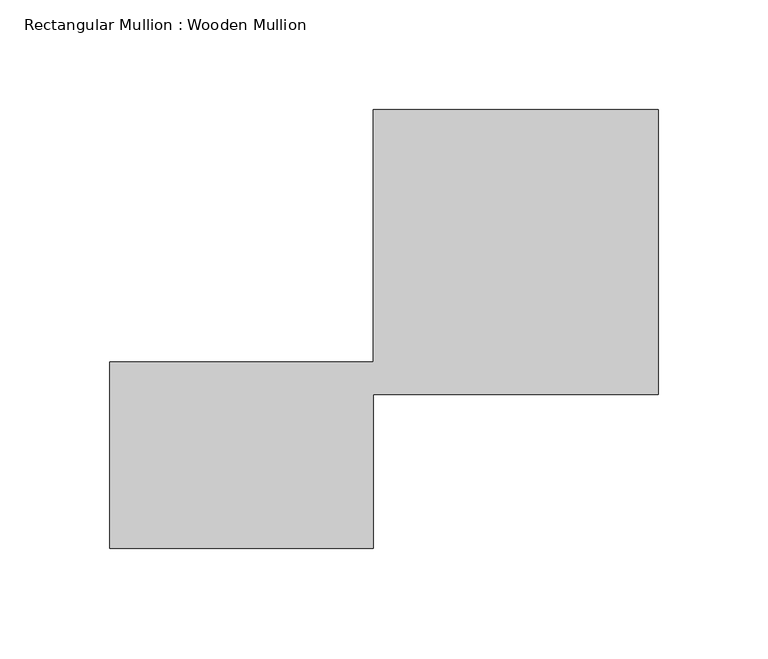
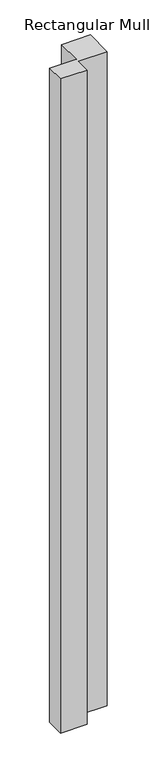
"""IFC4 building model written with IfcOpenShell, lengths in millimetres: member geometry, Rectangular Mullion : Wooden Mullion."""

import ifcopenshell
import ifcopenshell.guid

model = None  # the IFC model being written
_history = None  # IfcOwnerHistory: only IFC2X3 demands one
_inside = {}  # id of a spatial element -> (the spatial element, [elements in it])
_under = {}  # id of a project, library or spatial element -> (it, [spatial elements below it])
_declared = {}  # id of a project -> (the project, [libraries it declares])
_typed = {}  # id of a type object -> (the type object, [elements of that type])
_made_of = {}  # id of a material, layer set ... -> (it, [elements and type objects made of it])


def new_model(schema):
    """Start an empty IFC model of exactly this schema.

    Asked for "IFC4X3", IfcOpenShell would pick the latest addendum, in which some entities
    have other attributes; the version numbers below select the first issue.
    IFC2X3 requires an IfcOwnerHistory on every rooted entity: one is made here for all.
    """
    global model, _history
    if schema == "IFC4X3":
        model = ifcopenshell.file(schema_version=(4, 3, 0, 0))
    else:
        model = ifcopenshell.file(schema=schema)
    _inside.clear()
    _under.clear()
    _declared.clear()
    _typed.clear()
    _made_of.clear()
    _history = None
    if model.schema == "IFC2X3":
        org = make("IfcOrganization", Name="unknown")
        user = make(
            "IfcPersonAndOrganization",
            ThePerson=make("IfcPerson", FamilyName="unknown"),
            TheOrganization=org,
        )
        app = make(
            "IfcApplication",
            ApplicationDeveloper=org,
            Version="unknown",
            ApplicationFullName="unknown",
            ApplicationIdentifier="unknown",
        )
        _history = make(
            "IfcOwnerHistory",
            OwningUser=user,
            OwningApplication=app,
            ChangeAction="ADDED",
            CreationDate=0,
        )
    return model


def make(cls, **values):
    """One entity of the class cls with the attributes given. An attribute that is None is left unset."""
    return model.create_entity(
        cls, **{name: value for name, value in values.items() if value is not None}
    )


def rooted(cls, **values):
    """An entity with a GlobalId (a new one), such as an element, a storey or a relation."""
    return make(cls, GlobalId=ifcopenshell.guid.new(), OwnerHistory=_history, **values)


def si_unit(unit_type, name, prefix=None):
    """IfcSIUnit, for example si_unit("LENGTHUNIT", "METRE", prefix="MILLI")."""
    return make("IfcSIUnit", UnitType=unit_type, Prefix=prefix, Name=name)


def assignment(units):
    """IfcUnitAssignment: the units of a project."""
    return None if units is None else make("IfcUnitAssignment", Units=units)


def point(xyz):
    """IfcCartesianPoint."""
    return None if xyz is None else make("IfcCartesianPoint", Coordinates=xyz)


def direction(xyz):
    """IfcDirection."""
    return None if xyz is None else make("IfcDirection", DirectionRatios=xyz)


def frame(location, z_axis=None, x_axis=None):
    """IfcAxis2Placement3D, a coordinate frame: its origin and axes. An axis left out is left unset."""
    return make(
        "IfcAxis2Placement3D",
        Location=point(location),
        Axis=direction(z_axis),
        RefDirection=direction(x_axis),
    )


def origin():
    """The frame at (0, 0, 0) with its axes left unset."""
    return frame((0.0, 0.0, 0.0))


def place(relative_to, where):
    """IfcLocalPlacement: puts the frame where relative to a parent placement (None: the world)."""
    return make(
        "IfcLocalPlacement", PlacementRelTo=relative_to, RelativePlacement=where
    )


def context(
    kind, dimensions, precision=None, world=None, true_north=None, identifier=None
):
    """IfcGeometricRepresentationContext, for example the 3D "Model" context."""
    return make(
        "IfcGeometricRepresentationContext",
        ContextIdentifier=identifier,
        ContextType=kind,
        CoordinateSpaceDimension=dimensions,
        Precision=precision,
        WorldCoordinateSystem=world,
        TrueNorth=true_north,
    )


def project(units=None, contexts=None):
    """IfcProject with its units and contexts."""
    return rooted(
        "IfcProject",
        Name="project",
        RepresentationContexts=contexts,
        UnitsInContext=assignment(units),
    )


def spatial(cls, under=None, at=None, **own):
    """A site, building, storey or space (cls), placed at a placement, below another one or the project."""
    s = rooted(cls, ObjectPlacement=at, **own)
    if under is not None:
        _under.setdefault(under.id(), (under, []))[1].append(s)
    return s


def polyline(points):
    """IfcPolyline through the points."""
    return make("IfcPolyline", Points=[point(p) for p in points])


def outline(outer, holes=None, kind="AREA"):
    """IfcArbitraryClosedProfileDef: a profile drawn as a closed curve; with holes, ...WithVoids."""
    if holes is None:
        return make("IfcArbitraryClosedProfileDef", ProfileType=kind, OuterCurve=outer)
    return make(
        "IfcArbitraryProfileDefWithVoids",
        ProfileType=kind,
        OuterCurve=outer,
        InnerCurves=holes,
    )


def extrude(swept, where, along, depth):
    """IfcExtrudedAreaSolid: the profile swept, set in the frame where, extruded along a direction by depth."""
    return make(
        "IfcExtrudedAreaSolid",
        SweptArea=swept,
        Position=where,
        ExtrudedDirection=direction(along),
        Depth=depth,
    )


def shape(context_of_items, identifier, shape_type, items):
    """IfcShapeRepresentation: the items that make up one representation, for example the "Body"."""
    return make(
        "IfcShapeRepresentation",
        ContextOfItems=context_of_items,
        RepresentationIdentifier=identifier,
        RepresentationType=shape_type,
        Items=items,
    )


def source(mapping_origin, context_of_items, identifier, shape_type, items):
    """IfcRepresentationMap: a shape defined once, which mapped items show again and again."""
    return make(
        "IfcRepresentationMap",
        MappingOrigin=mapping_origin,
        MappedRepresentation=shape(context_of_items, identifier, shape_type, items),
    )


def transform(
    local_origin,
    x_axis=None,
    y_axis=None,
    z_axis=None,
    scale=None,
    scale2=None,
    scale3=None,
    uniform=True,
):
    """IfcCartesianTransformationOperator3D, or its non-uniform kind. x_axis, y_axis, z_axis: its Axis1, 2, 3."""
    if uniform:
        return make(
            "IfcCartesianTransformationOperator3D",
            Axis1=direction(x_axis),
            Axis2=direction(y_axis),
            LocalOrigin=point(local_origin),
            Scale=scale,
            Axis3=direction(z_axis),
        )
    return make(
        "IfcCartesianTransformationOperator3DnonUniform",
        Axis1=direction(x_axis),
        Axis2=direction(y_axis),
        LocalOrigin=point(local_origin),
        Scale=scale,
        Axis3=direction(z_axis),
        Scale2=scale2,
        Scale3=scale3,
    )


def mapped(mapping_source, mapping_target):
    """IfcMappedItem: shows the shape of a source again, moved by a transform."""
    return make(
        "IfcMappedItem", MappingSource=mapping_source, MappingTarget=mapping_target
    )


def made_of(thing, what):
    """Note that an element or type object is made of a material, layer set ...; save() writes the relation."""
    if what is not None:
        _made_of.setdefault(what.id(), (what, []))[1].append(thing)
    return thing


def element(
    cls,
    number,
    at=None,
    inside=None,
    cuts=None,
    type_object=None,
    material=None,
    context=None,
    identifier="Body",
    shape_type=None,
    held_by="IfcProductDefinitionShape",
    body=None,
    shapes=None,
    **own,
):
    """One element of the class cls, such as IfcWall. Its Tag is "e" and its number.

    at: its placement. inside: the storey or other place that contains it. cuts: it is an
    opening in that element (IfcRelVoidsElement). A single representation is given by context,
    identifier, shape_type and body (its items); several are given by shapes. held_by: the class
    of the entity that holds the representations. save() writes the other relations.
    """
    e = rooted(cls, Tag="e%d" % number, ObjectPlacement=at, **own)
    if body is not None:
        shapes = [shape(context, identifier, shape_type, body)]
    if shapes is not None:
        e.Representation = make(held_by, Representations=shapes)
    if inside is not None:
        _inside.setdefault(inside.id(), (inside, []))[1].append(e)
    if cuts is not None:
        rooted(
            "IfcRelVoidsElement", RelatingBuildingElement=cuts, RelatedOpeningElement=e
        )
    if type_object is not None:
        _typed.setdefault(type_object.id(), (type_object, []))[1].append(e)
    return made_of(e, material)


def aggregate(whole, parts):
    """IfcRelAggregates: a whole, such as a stair, and the parts it consists of."""
    return rooted("IfcRelAggregates", RelatingObject=whole, RelatedObjects=parts)


def save(model, path):
    """Write the relations noted so far, then the file.

    IfcRelAggregates (storeys below a building ...), IfcRelContainedInSpatialStructure (elements
    in a storey), IfcRelDefinesByType, IfcRelAssociatesMaterial and IfcRelDeclares: one each for
    every whole, place, type object, material and project.
    """
    for whole, parts in _under.values():
        aggregate(whole, parts)
    for where, things in _inside.values():
        rooted(
            "IfcRelContainedInSpatialStructure",
            RelatedElements=things,
            RelatingStructure=where,
        )
    for kind, things in _typed.values():
        rooted("IfcRelDefinesByType", RelatedObjects=things, RelatingType=kind)
    for what, things in _made_of.values():
        rooted("IfcRelAssociatesMaterial", RelatedObjects=things, RelatingMaterial=what)
    for by, libraries in _declared.values():
        rooted("IfcRelDeclares", RelatingContext=by, RelatedDefinitions=libraries)
    model.write(path)


def rectangular_mullion_wooden_mullion_e918e85b(model_context):
    return source(origin(), model_context, "Body", "SweptSolid", [
        extrude(outline(polyline([(74.8100006, -26.0137344), (-45.1899994, -26.0137344), (-45.1899994, 58.9862656), (74.8100006, 58.9862656), (74.8100006, 173.9862656), (204.8100006, 173.9862656), (204.8100006, 43.9862656), (74.8100006, 43.9862656), (74.8100006, -26.0137344)])), frame((0.0, 0.0, -3097.9412793), z_axis=(0.0, 0.0, 1.0), x_axis=(1.0, 0.0, 0.0)), (0.0, 0.0, 1.0), 3097.9412793),
    ])


if __name__ == "__main__":
    model = new_model("IFC4")
    model_context = context("Model", 3, world=origin())
    ifc_project = project(units=[si_unit("LENGTHUNIT", "METRE", prefix="MILLI")], contexts=[model_context])
    site = spatial("IfcSite", under=ifc_project)
    building = spatial("IfcBuilding", under=site)
    placement = place(None, origin())
    rectangular_mullion_wooden_mullion_shape = rectangular_mullion_wooden_mullion_e918e85b(model_context)
    element("IfcMember", 1, ObjectType="Rectangular Mullion : Wooden Mullion", at=placement, inside=building, context=model_context, shape_type="MappedRepresentation", body=[
        mapped(rectangular_mullion_wooden_mullion_shape, transform((0.0, 0.0, 0.0), x_axis=(1.0, 0.0, 0.0), y_axis=(0.0, 1.0, 0.0), z_axis=(0.0, 0.0, 1.0))),
    ])
    save(model, "model.ifc")
